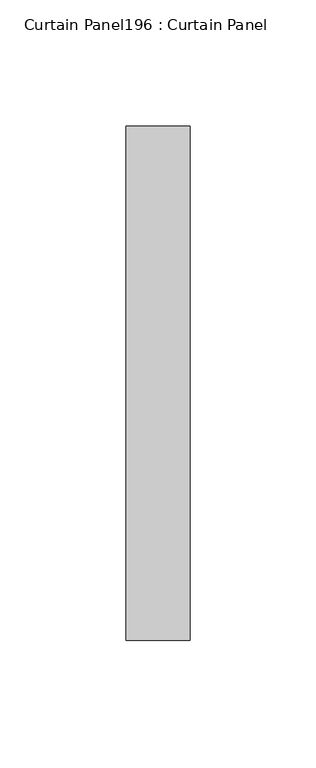
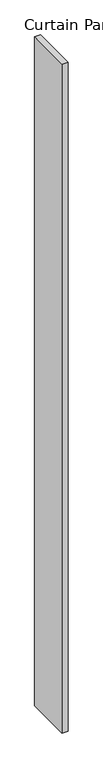
"""IFC4 building model written with IfcOpenShell, lengths in millimetres: plate geometry, Curtain Panel196 : Curtain Panel."""

from ifc_helpers import new_model, si_unit, frame, origin, place, context, project, spatial, polyline, outline, extrude, source, transform, mapped, element, save


def curtain_panel196_curtain_panel_f4c9f4d5(model_context):
    return source(origin(), model_context, "Body", "SweptSolid", [
        extrude(outline(polyline([(602298.2501813, 2730.5475836), (602298.2501813, 2934.6189245), (602323.6501813, 2934.6189245), (602323.6501813, 2730.5475836), (602298.2501813, 2730.5475836)])), frame((0.0, 0.0, 4959.7989371), z_axis=(0.0, 0.0, 1.0), x_axis=(1.0, 0.0, 0.0)), (0.0, 0.0, 1.0), 3048.0),
    ])


if __name__ == "__main__":
    model = new_model("IFC4")
    model_context = context("Model", 3, world=origin())
    ifc_project = project(units=[si_unit("LENGTHUNIT", "METRE", prefix="MILLI")], contexts=[model_context])
    site = spatial("IfcSite", under=ifc_project)
    building = spatial("IfcBuilding", under=site)
    placement = place(None, origin())
    curtain_panel196_curtain_panel_shape = curtain_panel196_curtain_panel_f4c9f4d5(model_context)
    element("IfcPlate", 1, ObjectType="Curtain Panel196 : Curtain Panel", at=placement, inside=building, context=model_context, shape_type="MappedRepresentation", body=[
        mapped(curtain_panel196_curtain_panel_shape, transform((0.0, 0.0, 0.0), x_axis=(1.0, 0.0, 0.0), y_axis=(0.0, 1.0, 0.0), z_axis=(0.0, 0.0, 1.0))),
    ])
    save(model, "model.ifc")
